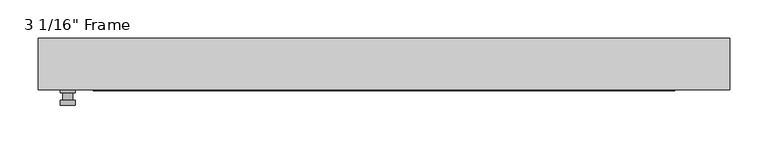
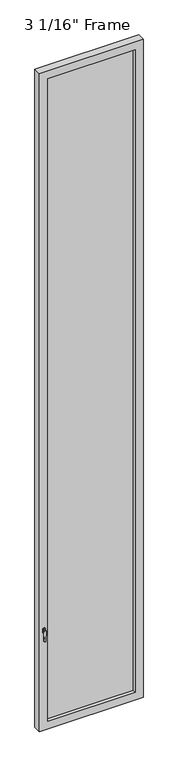
"""IFC4 building model written with IfcOpenShell, lengths in millimetres: plate geometry."""

from ifc_helpers import new_model, si_unit, frame, origin, place, context, project, spatial, polyline, circle_curve, outline, extrude, faceted_brep, source, transform, mapped, element, save
from ifc_brep_helpers import plane_surface, cylinder_surface, advanced_brep


def plate_126dc976(model_context):
    return source(origin(), model_context, "Body", "SolidModel", [
        advanced_brep(
        [(-401.6375, -33.3375, 927.1), (-401.6375, -33.3375, 901.7), (-420.6875, -33.3375, 901.7), (-420.6875, -33.3375, 927.1), (-404.8125, -46.0375, 914.4), (-417.5125, -46.0375, 914.4), (-417.5125, -36.5125, 914.4), (-404.8125, -36.5125, 914.4), (-401.6375, -46.0375, 914.4), (-404.8165356, -46.0375, 825.2736467), (-417.5084644, -46.0375, 825.2736467), (-420.6875, -46.0375, 914.4), (-401.6375, -52.3875, 914.4), (-420.6875, -52.3875, 914.4), (-417.5084644, -52.3875, 825.2736467), (-404.8165356, -52.3875, 825.2736467), (-401.6375, -36.5125, 927.1), (-420.6875, -36.5125, 927.1), (-420.6875, -36.5125, 901.7), (-401.6375, -36.5125, 901.7)],
        [
            (0, 1),
            (1, 2, circle_curve(frame((-411.1625, -33.3375, 901.7), z_axis=(0.0, 1.0, 0.0), x_axis=(-1.0, 0.0, 0.0)), 9.525)),
            (2, 3),
            (3, 0, circle_curve(frame((-411.1625, -33.3375, 927.1), z_axis=(0.0, 1.0, 0.0), x_axis=(-1.0, 0.0, 0.0)), 9.525)),
            (4, 5, circle_curve(frame((-411.1625, -46.0375, 914.4), z_axis=(0.0, 1.0, 0.0), x_axis=(-1.0, 0.0, 0.0)), 6.35)),
            (5, 6),
            (6, 7, circle_curve(frame((-411.1625, -36.5125, 914.4), z_axis=(0.0, -1.0, 0.0), x_axis=(-1.0, 0.0, 0.0)), 6.35)),
            (7, 4),
            (5, 4, circle_curve(frame((-411.1625, -46.0375, 914.4), z_axis=(0.0, 1.0, 0.0), x_axis=(-1.0, 0.0, 0.0)), 6.35)),
            (7, 6, circle_curve(frame((-411.1625, -36.5125, 914.4), z_axis=(0.0, -1.0, 0.0), x_axis=(-1.0, 0.0, 0.0)), 6.35)),
            (8, 9),
            (9, 10, circle_curve(frame((-411.1625, -46.0375, 825.5), z_axis=(0.0, 1.0, 0.0), x_axis=(-1.0, 0.0, 0.0)), 6.35)),
            (10, 11),
            (11, 8, circle_curve(frame((-411.1625, -46.0375, 914.4), z_axis=(0.0, 1.0, 0.0), x_axis=(-1.0, 0.0, 0.0)), 9.525)),
            (12, 13, circle_curve(frame((-411.1625, -52.3875, 914.4), z_axis=(0.0, -1.0, 0.0), x_axis=(-1.0, 0.0, 0.0)), 9.525)),
            (13, 14),
            (14, 15, circle_curve(frame((-411.1625, -52.3875, 825.5), z_axis=(0.0, -1.0, 0.0), x_axis=(-1.0, 0.0, 0.0)), 6.35)),
            (15, 12),
            (8, 12),
            (15, 9),
            (14, 10),
            (13, 11),
            (16, 17, circle_curve(frame((-411.1625, -36.5125, 927.1), z_axis=(0.0, -1.0, 0.0), x_axis=(-1.0, 0.0, 0.0)), 9.525)),
            (17, 18),
            (18, 19, circle_curve(frame((-411.1625, -36.5125, 901.7), z_axis=(0.0, -1.0, 0.0), x_axis=(-1.0, 0.0, 0.0)), 9.525)),
            (19, 16),
            (0, 16),
            (19, 1),
            (18, 2),
            (17, 3),
        ],
        [
            plane_surface(frame((-417.5125, -33.3375, 914.4), z_axis=(0.0, 1.0, 0.0), x_axis=(0.0, 0.0, 1.0))),
            cylinder_surface(frame((-411.1625, -46.0375, 914.4), z_axis=(0.0, 1.0, 0.0), x_axis=(-1.0, 0.0, 0.0)), 6.35),
            plane_surface(frame((-401.6375, -46.0375, 914.4), z_axis=(0.0, 1.0000000000000002, 0.0), x_axis=(-0.03564619348186888, 0.0, -0.9993644724975235))),
            plane_surface(frame((-401.6375, -52.3875, 914.4), z_axis=(0.0, -1.0000000000000002, 0.0), x_axis=(0.03564619348186888, 0.0, 0.9993644724975235))),
            plane_surface(frame((-401.6375, -46.0375, 914.4), z_axis=(0.9993644724975235, 0.0, -0.03564619348186888), x_axis=(0.0, -1.0, 0.0))),
            cylinder_surface(frame((-411.1625, -52.3875, 825.5), z_axis=(0.0, 1.0, 0.0), x_axis=(-1.0, 0.0, 0.0)), 6.35),
            plane_surface(frame((-417.5084644, -46.0375, 825.2736467), z_axis=(-0.9993644724975228, 0.0, -0.03564619348188612), x_axis=(0.0, -1.0, 0.0))),
            cylinder_surface(frame((-411.1625, -52.3875, 914.4), z_axis=(0.0, 1.0, 0.0), x_axis=(-1.0, 0.0, 0.0)), 9.525),
            plane_surface(frame((-401.6375, -36.5125, 901.7), z_axis=(0.0, -1.0, 0.0), x_axis=(0.0, 0.0, 1.0))),
            plane_surface(frame((-401.6375, -33.3375, 927.1), z_axis=(1.0, 0.0, 0.0), x_axis=(0.0, -1.0, 0.0))),
            cylinder_surface(frame((-411.1625, -36.5125, 901.7), z_axis=(0.0, 1.0, 0.0), x_axis=(-1.0, 0.0, 0.0)), 9.525),
            plane_surface(frame((-420.6875, -33.3375, 901.7), z_axis=(-1.0, 0.0, 0.0), x_axis=(0.0, -1.0, 0.0))),
            cylinder_surface(frame((-411.1625, -36.5125, 927.1), z_axis=(0.0, 1.0, 0.0), x_axis=(-1.0, 0.0, 0.0)), 9.525),
        ],
        [
            (0, [[1, 2, 3, 4]]),
            (1, [[5, 6, 7, 8]]),
            (1, [[9, -8, 10, -6]]),
            (2, [[11, 12, 13, 14], [-5, -9]]),
            (3, [[15, 16, 17, 18]]),
            (4, [[-11, 19, -18, 20]]),
            (5, [[-12, -20, -17, 21]]),
            (6, [[-13, -21, -16, 22]]),
            (7, [[-14, -22, -15, -19]]),
            (8, [[23, 24, 25, 26], [-7, -10]]),
            (9, [[-1, 27, -26, 28]]),
            (10, [[-2, -28, -25, 29]]),
            (11, [[-3, -29, -24, 30]]),
            (12, [[-4, -30, -23, -27]]),
        ],
    ),
        faceted_brep([(-449.2625, -33.3375, 0.0), (-449.2625, 33.3375, 0.0), (449.2625, 33.3375, 0.0), (449.2625, -33.3375, 0.0), (449.2625, -33.3375, 6010.275), (-449.2625, -33.3375, 6010.275), (-377.825, -33.3375, 5938.8375), (377.825, -33.3375, 5938.8375), (377.825, -33.3375, 71.4375), (-377.825, -33.3375, 71.4375), (-449.2625, 33.3375, 6010.275), (449.2625, 33.3375, 6010.275), (-377.825, 33.3375, 5938.8375), (-377.825, 33.3375, 71.4375), (377.825, 33.3375, 71.4375), (377.825, 33.3375, 5938.8375), (-371.475, 11.90625, 5932.4875), (-371.475, 11.90625, 77.7875), (384.175, 11.90625, 5945.1875), (-384.175, 11.90625, 5945.1875), (-384.175, 11.90625, 65.0875), (384.175, 11.90625, 65.0875), (371.475, 11.90625, 5932.4875), (371.475, 11.90625, 77.7875), (-384.175, -11.90625, 5945.1875), (-384.175, -11.90625, 65.0875), (384.175, -11.90625, 5945.1875), (384.175, -11.90625, 65.0875), (-371.475, -11.90625, 5932.4875), (-371.475, -11.90625, 77.7875), (371.475, -11.90625, 77.7875), (371.475, -11.90625, 5932.4875)], [[[0, 1, 2, 3]], [[0, 3, 4, 5], [6, 7, 8, 9]], [[1, 0, 5, 10]], [[2, 1, 10, 11], [12, 13, 14, 15]], [[12, 16, 17, 13]], [[18, 19, 20, 21], [16, 22, 23, 17]], [[20, 19, 24, 25]], [[24, 26, 27, 25], [28, 29, 30, 31]], [[28, 6, 9, 29]], [[5, 4, 11, 10]], [[12, 15, 22, 16]], [[19, 18, 26, 24]], [[7, 6, 28, 31]], [[4, 3, 2, 11]], [[22, 15, 14, 23]], [[27, 26, 18, 21]], [[7, 31, 30, 8]], [[9, 8, 30, 29]], [[21, 20, 25, 27]], [[17, 23, 14, 13]]]),
        extrude(outline(polyline([(384.175, -11.90625), (-384.175, -11.90625), (-384.175, 11.90625), (384.175, 11.90625), (384.175, -11.90625)])), frame((0.0, 0.0, 65.0875), z_axis=(0.0, 0.0, 1.0), x_axis=(1.0, 0.0, 0.0)), (0.0, 0.0, 1.0), 5880.1),
    ])


if __name__ == "__main__":
    model = new_model("IFC4")
    model_context = context("Model", 3, world=origin())
    ifc_project = project(units=[si_unit("LENGTHUNIT", "METRE", prefix="MILLI")], contexts=[model_context])
    site = spatial("IfcSite", under=ifc_project)
    building = spatial("IfcBuilding", under=site)
    placement = place(None, origin())
    plate_shape = plate_126dc976(model_context)
    element("IfcPlate", 1, ObjectType="3 1/16\" Frame", at=placement, inside=building, context=model_context, shape_type="MappedRepresentation", body=[
        mapped(plate_shape, transform((0.0, 0.0, 0.0), x_axis=(1.0, 0.0, 0.0), y_axis=(0.0, 1.0, 0.0), z_axis=(0.0, 0.0, 1.0))),
    ])
    save(model, "model.ifc")
